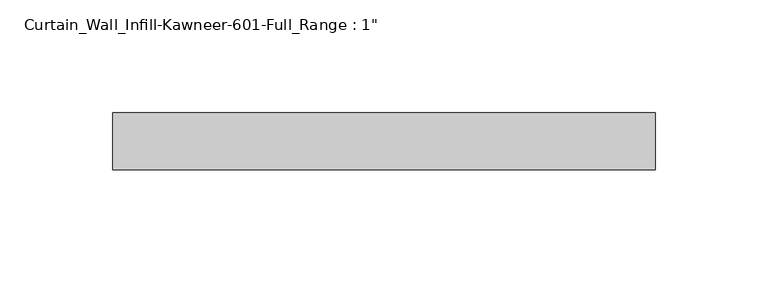
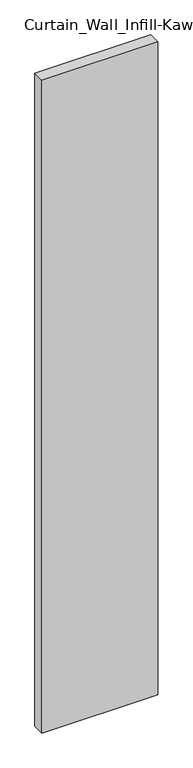
"""IFC4 building model written with IfcOpenShell, lengths in millimetres: plate geometry."""

import ifcopenshell
import ifcopenshell.guid

model = None  # the IFC model being written
_history = None  # IfcOwnerHistory: only IFC2X3 demands one
_inside = {}  # id of a spatial element -> (the spatial element, [elements in it])
_under = {}  # id of a project, library or spatial element -> (it, [spatial elements below it])
_declared = {}  # id of a project -> (the project, [libraries it declares])
_typed = {}  # id of a type object -> (the type object, [elements of that type])
_made_of = {}  # id of a material, layer set ... -> (it, [elements and type objects made of it])


def new_model(schema):
    """Start an empty IFC model of exactly this schema.

    Asked for "IFC4X3", IfcOpenShell would pick the latest addendum, in which some entities
    have other attributes; the version numbers below select the first issue.
    IFC2X3 requires an IfcOwnerHistory on every rooted entity: one is made here for all.
    """
    global model, _history
    if schema == "IFC4X3":
        model = ifcopenshell.file(schema_version=(4, 3, 0, 0))
    else:
        model = ifcopenshell.file(schema=schema)
    _inside.clear()
    _under.clear()
    _declared.clear()
    _typed.clear()
    _made_of.clear()
    _history = None
    if model.schema == "IFC2X3":
        org = make("IfcOrganization", Name="unknown")
        user = make(
            "IfcPersonAndOrganization",
            ThePerson=make("IfcPerson", FamilyName="unknown"),
            TheOrganization=org,
        )
        app = make(
            "IfcApplication",
            ApplicationDeveloper=org,
            Version="unknown",
            ApplicationFullName="unknown",
            ApplicationIdentifier="unknown",
        )
        _history = make(
            "IfcOwnerHistory",
            OwningUser=user,
            OwningApplication=app,
            ChangeAction="ADDED",
            CreationDate=0,
        )
    return model


def make(cls, **values):
    """One entity of the class cls with the attributes given. An attribute that is None is left unset."""
    return model.create_entity(
        cls, **{name: value for name, value in values.items() if value is not None}
    )


def rooted(cls, **values):
    """An entity with a GlobalId (a new one), such as an element, a storey or a relation."""
    return make(cls, GlobalId=ifcopenshell.guid.new(), OwnerHistory=_history, **values)


def si_unit(unit_type, name, prefix=None):
    """IfcSIUnit, for example si_unit("LENGTHUNIT", "METRE", prefix="MILLI")."""
    return make("IfcSIUnit", UnitType=unit_type, Prefix=prefix, Name=name)


def assignment(units):
    """IfcUnitAssignment: the units of a project."""
    return None if units is None else make("IfcUnitAssignment", Units=units)


def point(xyz):
    """IfcCartesianPoint."""
    return None if xyz is None else make("IfcCartesianPoint", Coordinates=xyz)


def direction(xyz):
    """IfcDirection."""
    return None if xyz is None else make("IfcDirection", DirectionRatios=xyz)


def frame(location, z_axis=None, x_axis=None):
    """IfcAxis2Placement3D, a coordinate frame: its origin and axes. An axis left out is left unset."""
    return make(
        "IfcAxis2Placement3D",
        Location=point(location),
        Axis=direction(z_axis),
        RefDirection=direction(x_axis),
    )


def origin():
    """The frame at (0, 0, 0) with its axes left unset."""
    return frame((0.0, 0.0, 0.0))


def origin_with_axes():
    """The frame at (0, 0, 0) with the z axis (0, 0, 1) and the x axis (1, 0, 0) written out."""
    return frame((0.0, 0.0, 0.0), z_axis=(0.0, 0.0, 1.0), x_axis=(1.0, 0.0, 0.0))


def place(relative_to, where):
    """IfcLocalPlacement: puts the frame where relative to a parent placement (None: the world)."""
    return make(
        "IfcLocalPlacement", PlacementRelTo=relative_to, RelativePlacement=where
    )


def context(
    kind, dimensions, precision=None, world=None, true_north=None, identifier=None
):
    """IfcGeometricRepresentationContext, for example the 3D "Model" context."""
    return make(
        "IfcGeometricRepresentationContext",
        ContextIdentifier=identifier,
        ContextType=kind,
        CoordinateSpaceDimension=dimensions,
        Precision=precision,
        WorldCoordinateSystem=world,
        TrueNorth=true_north,
    )


def project(units=None, contexts=None):
    """IfcProject with its units and contexts."""
    return rooted(
        "IfcProject",
        Name="project",
        RepresentationContexts=contexts,
        UnitsInContext=assignment(units),
    )


def spatial(cls, under=None, at=None, **own):
    """A site, building, storey or space (cls), placed at a placement, below another one or the project."""
    s = rooted(cls, ObjectPlacement=at, **own)
    if under is not None:
        _under.setdefault(under.id(), (under, []))[1].append(s)
    return s


def polyline(points):
    """IfcPolyline through the points."""
    return make("IfcPolyline", Points=[point(p) for p in points])


def outline(outer, holes=None, kind="AREA"):
    """IfcArbitraryClosedProfileDef: a profile drawn as a closed curve; with holes, ...WithVoids."""
    if holes is None:
        return make("IfcArbitraryClosedProfileDef", ProfileType=kind, OuterCurve=outer)
    return make(
        "IfcArbitraryProfileDefWithVoids",
        ProfileType=kind,
        OuterCurve=outer,
        InnerCurves=holes,
    )


def extrude(swept, where, along, depth):
    """IfcExtrudedAreaSolid: the profile swept, set in the frame where, extruded along a direction by depth."""
    return make(
        "IfcExtrudedAreaSolid",
        SweptArea=swept,
        Position=where,
        ExtrudedDirection=direction(along),
        Depth=depth,
    )


def shape(context_of_items, identifier, shape_type, items):
    """IfcShapeRepresentation: the items that make up one representation, for example the "Body"."""
    return make(
        "IfcShapeRepresentation",
        ContextOfItems=context_of_items,
        RepresentationIdentifier=identifier,
        RepresentationType=shape_type,
        Items=items,
    )


def source(mapping_origin, context_of_items, identifier, shape_type, items):
    """IfcRepresentationMap: a shape defined once, which mapped items show again and again."""
    return make(
        "IfcRepresentationMap",
        MappingOrigin=mapping_origin,
        MappedRepresentation=shape(context_of_items, identifier, shape_type, items),
    )


def transform(
    local_origin,
    x_axis=None,
    y_axis=None,
    z_axis=None,
    scale=None,
    scale2=None,
    scale3=None,
    uniform=True,
):
    """IfcCartesianTransformationOperator3D, or its non-uniform kind. x_axis, y_axis, z_axis: its Axis1, 2, 3."""
    if uniform:
        return make(
            "IfcCartesianTransformationOperator3D",
            Axis1=direction(x_axis),
            Axis2=direction(y_axis),
            LocalOrigin=point(local_origin),
            Scale=scale,
            Axis3=direction(z_axis),
        )
    return make(
        "IfcCartesianTransformationOperator3DnonUniform",
        Axis1=direction(x_axis),
        Axis2=direction(y_axis),
        LocalOrigin=point(local_origin),
        Scale=scale,
        Axis3=direction(z_axis),
        Scale2=scale2,
        Scale3=scale3,
    )


def mapped(mapping_source, mapping_target):
    """IfcMappedItem: shows the shape of a source again, moved by a transform."""
    return make(
        "IfcMappedItem", MappingSource=mapping_source, MappingTarget=mapping_target
    )


def made_of(thing, what):
    """Note that an element or type object is made of a material, layer set ...; save() writes the relation."""
    if what is not None:
        _made_of.setdefault(what.id(), (what, []))[1].append(thing)
    return thing


def element(
    cls,
    number,
    at=None,
    inside=None,
    cuts=None,
    type_object=None,
    material=None,
    context=None,
    identifier="Body",
    shape_type=None,
    held_by="IfcProductDefinitionShape",
    body=None,
    shapes=None,
    **own,
):
    """One element of the class cls, such as IfcWall. Its Tag is "e" and its number.

    at: its placement. inside: the storey or other place that contains it. cuts: it is an
    opening in that element (IfcRelVoidsElement). A single representation is given by context,
    identifier, shape_type and body (its items); several are given by shapes. held_by: the class
    of the entity that holds the representations. save() writes the other relations.
    """
    e = rooted(cls, Tag="e%d" % number, ObjectPlacement=at, **own)
    if body is not None:
        shapes = [shape(context, identifier, shape_type, body)]
    if shapes is not None:
        e.Representation = make(held_by, Representations=shapes)
    if inside is not None:
        _inside.setdefault(inside.id(), (inside, []))[1].append(e)
    if cuts is not None:
        rooted(
            "IfcRelVoidsElement", RelatingBuildingElement=cuts, RelatedOpeningElement=e
        )
    if type_object is not None:
        _typed.setdefault(type_object.id(), (type_object, []))[1].append(e)
    return made_of(e, material)


def aggregate(whole, parts):
    """IfcRelAggregates: a whole, such as a stair, and the parts it consists of."""
    return rooted("IfcRelAggregates", RelatingObject=whole, RelatedObjects=parts)


def save(model, path):
    """Write the relations noted so far, then the file.

    IfcRelAggregates (storeys below a building ...), IfcRelContainedInSpatialStructure (elements
    in a storey), IfcRelDefinesByType, IfcRelAssociatesMaterial and IfcRelDeclares: one each for
    every whole, place, type object, material and project.
    """
    for whole, parts in _under.values():
        aggregate(whole, parts)
    for where, things in _inside.values():
        rooted(
            "IfcRelContainedInSpatialStructure",
            RelatedElements=things,
            RelatingStructure=where,
        )
    for kind, things in _typed.values():
        rooted("IfcRelDefinesByType", RelatedObjects=things, RelatingType=kind)
    for what, things in _made_of.values():
        rooted("IfcRelAssociatesMaterial", RelatedObjects=things, RelatingMaterial=what)
    for by, libraries in _declared.values():
        rooted("IfcRelDeclares", RelatingContext=by, RelatedDefinitions=libraries)
    model.write(path)


def plate_304a6e12(model_context):
    return source(origin(), model_context, "Body", "SweptSolid", [
        extrude(outline(polyline([(-120.65, 0.0), (-120.65, 25.4), (120.65, 25.4), (120.65, 0.0), (-120.65, 0.0)])), origin_with_axes(), (0.0, 0.0, 1.0), 1435.1),
    ])


if __name__ == "__main__":
    model = new_model("IFC4")
    model_context = context("Model", 3, world=origin())
    ifc_project = project(units=[si_unit("LENGTHUNIT", "METRE", prefix="MILLI")], contexts=[model_context])
    site = spatial("IfcSite", under=ifc_project)
    building = spatial("IfcBuilding", under=site)
    placement = place(None, origin())
    plate_shape = plate_304a6e12(model_context)
    element("IfcPlate", 1, ObjectType="Curtain_Wall_Infill-Kawneer-601-Full_Range : 1\"", at=placement, inside=building, context=model_context, shape_type="MappedRepresentation", body=[
        mapped(plate_shape, transform((0.0, 0.0, 0.0), x_axis=(1.0, 0.0, 0.0), y_axis=(0.0, 1.0, 0.0), z_axis=(0.0, 0.0, 1.0))),
    ])
    save(model, "model.ifc")
